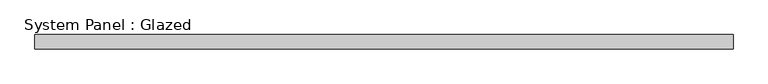
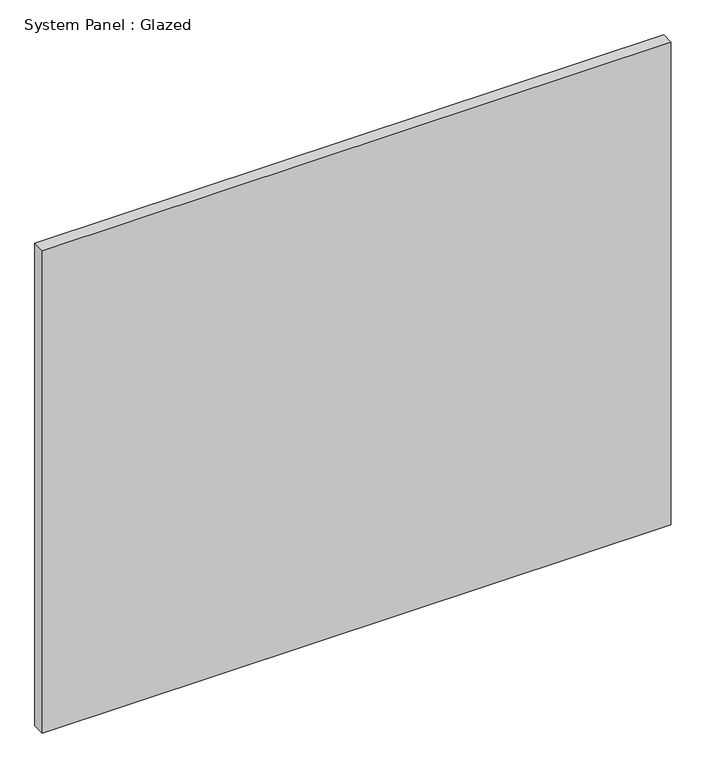
"""IFC4 building model written with IfcOpenShell, lengths in millimetres: plate geometry, System Panel : Glazed."""

from ifc_helpers import new_model, si_unit, origin, origin_with_axes, place, context, project, spatial, polyline, outline, extrude, source, transform, mapped, element, save


def system_panel_glazed_dd24b9ee(model_context):
    return source(origin(), model_context, "Body", "SweptSolid", [
        extrude(outline(polyline([(626.5333333, -12.7), (-626.5333333, -12.7), (-626.5333333, 12.7), (626.5333333, 12.7), (626.5333333, -12.7)])), origin_with_axes(), (0.0, 0.0, 1.0), 1016.0),
    ])


if __name__ == "__main__":
    model = new_model("IFC4")
    model_context = context("Model", 3, world=origin())
    ifc_project = project(units=[si_unit("LENGTHUNIT", "METRE", prefix="MILLI")], contexts=[model_context])
    site = spatial("IfcSite", under=ifc_project)
    building = spatial("IfcBuilding", under=site)
    placement = place(None, origin())
    system_panel_glazed_shape = system_panel_glazed_dd24b9ee(model_context)
    element("IfcPlate", 1, ObjectType="System Panel : Glazed", at=placement, inside=building, context=model_context, shape_type="MappedRepresentation", body=[
        mapped(system_panel_glazed_shape, transform((0.0, 0.0, 0.0), x_axis=(1.0, 0.0, 0.0), y_axis=(0.0, 1.0, 0.0), z_axis=(0.0, 0.0, 1.0))),
    ])
    save(model, "model.ifc")
